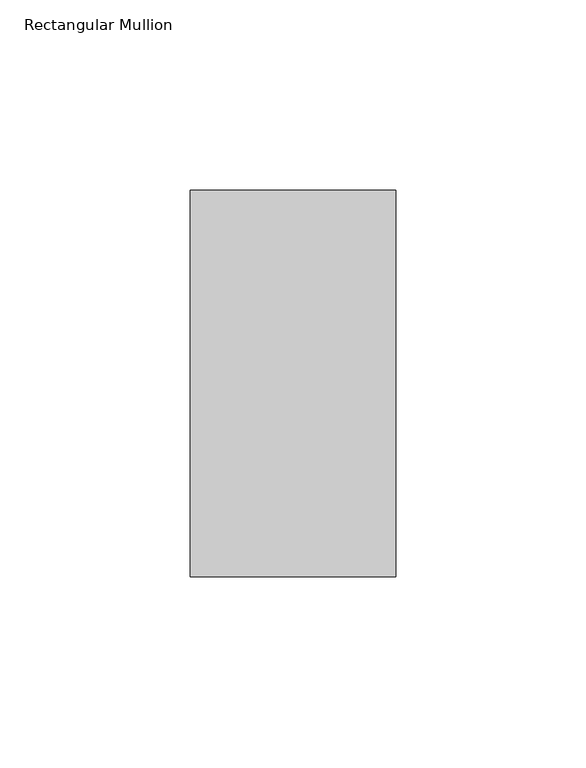
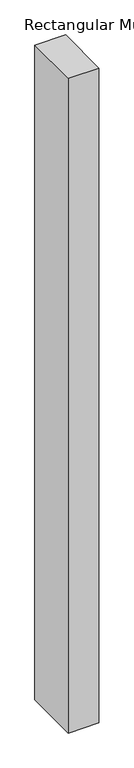
"""IFC4 building model written with IfcOpenShell, lengths in millimetres: member geometry, Rectangular Mullion."""

from ifc_helpers import new_model, si_unit, frame, origin, place, context, project, spatial, polyline, outline, extrude, source, transform, mapped, element, save


def rectangular_mullion_3cefe65c(model_context):
    return source(origin(), model_context, "Body", "SweptSolid", [
        extrude(outline(polyline([(-53.978302, 50.8), (0.0, 50.8), (0.0, -50.8), (-53.978302, -50.8), (-53.978302, 50.8)])), frame((0.0, 0.0, -1219.2), z_axis=(0.0, 0.0, 1.0), x_axis=(1.0, 0.0, 0.0)), (0.0, 0.0, 1.0), 1219.2),
    ])


if __name__ == "__main__":
    model = new_model("IFC4")
    model_context = context("Model", 3, world=origin())
    ifc_project = project(units=[si_unit("LENGTHUNIT", "METRE", prefix="MILLI")], contexts=[model_context])
    site = spatial("IfcSite", under=ifc_project)
    building = spatial("IfcBuilding", under=site)
    placement = place(None, origin())
    rectangular_mullion_shape = rectangular_mullion_3cefe65c(model_context)
    element("IfcMember", 1, ObjectType="Rectangular Mullion", at=placement, inside=building, context=model_context, shape_type="MappedRepresentation", body=[
        mapped(rectangular_mullion_shape, transform((0.0, 0.0, 0.0), x_axis=(1.0, 0.0, 0.0), y_axis=(0.0, 1.0, 0.0), z_axis=(0.0, 0.0, 1.0))),
    ])
    save(model, "model.ifc")
